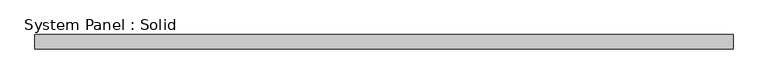
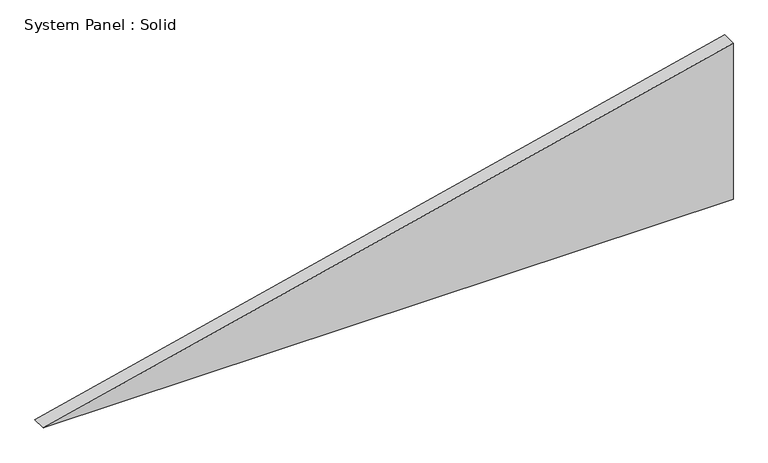
"""IFC4 building model written with IfcOpenShell, lengths in millimetres: plate geometry, System Panel : Solid."""

from ifc_helpers import new_model, si_unit, frame, origin, place, context, project, spatial, polyline, outline, extrude, source, transform, mapped, element, save


def system_panel_solid_3540ccfa(model_context):
    return source(origin(), model_context, "Body", "SweptSolid", [
        extrude(outline(polyline([(0.0, -1439.1460661), (0.0, 1439.1460661), (689.0930507, 1439.1460661), (0.0, -1439.1460661)])), frame((0.0, -10.5, 0.0), z_axis=(0.0, 1.0, 0.0), x_axis=(0.0, 0.0, 1.0)), (0.0, 0.0, 1.0), 60.0),
    ])


if __name__ == "__main__":
    model = new_model("IFC4")
    model_context = context("Model", 3, world=origin())
    ifc_project = project(units=[si_unit("LENGTHUNIT", "METRE", prefix="MILLI")], contexts=[model_context])
    site = spatial("IfcSite", under=ifc_project)
    building = spatial("IfcBuilding", under=site)
    placement = place(None, origin())
    system_panel_solid_shape = system_panel_solid_3540ccfa(model_context)
    element("IfcPlate", 1, ObjectType="System Panel : Solid", at=placement, inside=building, context=model_context, shape_type="MappedRepresentation", body=[
        mapped(system_panel_solid_shape, transform((0.0, 0.0, 0.0), x_axis=(1.0, 0.0, 0.0), y_axis=(0.0, 1.0, 0.0), z_axis=(0.0, 0.0, 1.0))),
    ])
    save(model, "model.ifc")
